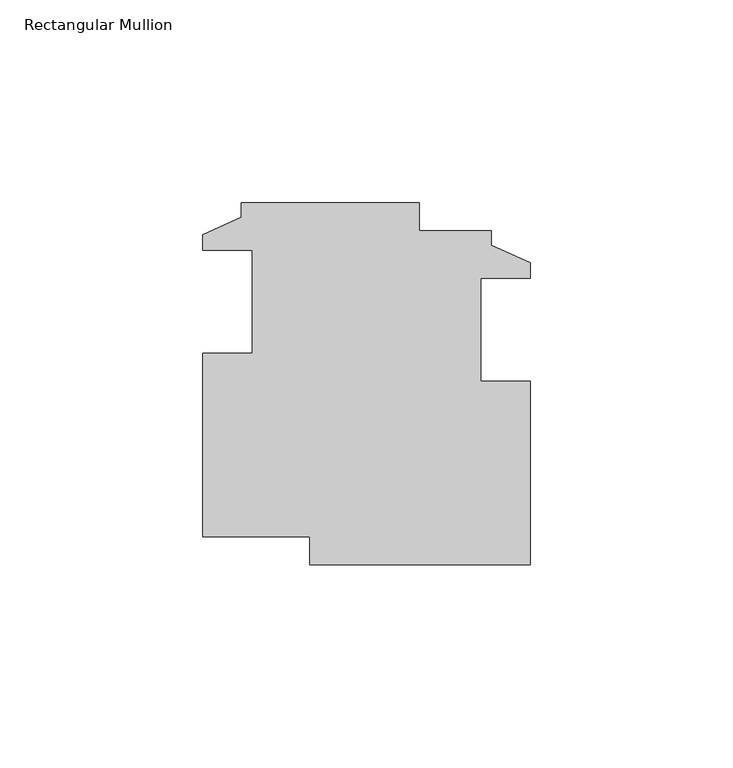
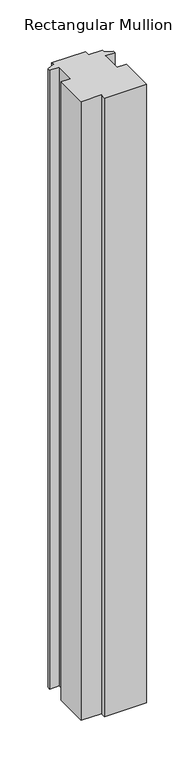
"""IFC4 building model written with IfcOpenShell, lengths in millimetres: member geometry, Rectangular Mullion."""

import ifcopenshell
import ifcopenshell.guid

model = None  # the IFC model being written
_history = None  # IfcOwnerHistory: only IFC2X3 demands one
_inside = {}  # id of a spatial element -> (the spatial element, [elements in it])
_under = {}  # id of a project, library or spatial element -> (it, [spatial elements below it])
_declared = {}  # id of a project -> (the project, [libraries it declares])
_typed = {}  # id of a type object -> (the type object, [elements of that type])
_made_of = {}  # id of a material, layer set ... -> (it, [elements and type objects made of it])


def new_model(schema):
    """Start an empty IFC model of exactly this schema.

    Asked for "IFC4X3", IfcOpenShell would pick the latest addendum, in which some entities
    have other attributes; the version numbers below select the first issue.
    IFC2X3 requires an IfcOwnerHistory on every rooted entity: one is made here for all.
    """
    global model, _history
    if schema == "IFC4X3":
        model = ifcopenshell.file(schema_version=(4, 3, 0, 0))
    else:
        model = ifcopenshell.file(schema=schema)
    _inside.clear()
    _under.clear()
    _declared.clear()
    _typed.clear()
    _made_of.clear()
    _history = None
    if model.schema == "IFC2X3":
        org = make("IfcOrganization", Name="unknown")
        user = make(
            "IfcPersonAndOrganization",
            ThePerson=make("IfcPerson", FamilyName="unknown"),
            TheOrganization=org,
        )
        app = make(
            "IfcApplication",
            ApplicationDeveloper=org,
            Version="unknown",
            ApplicationFullName="unknown",
            ApplicationIdentifier="unknown",
        )
        _history = make(
            "IfcOwnerHistory",
            OwningUser=user,
            OwningApplication=app,
            ChangeAction="ADDED",
            CreationDate=0,
        )
    return model


def make(cls, **values):
    """One entity of the class cls with the attributes given. An attribute that is None is left unset."""
    return model.create_entity(
        cls, **{name: value for name, value in values.items() if value is not None}
    )


def rooted(cls, **values):
    """An entity with a GlobalId (a new one), such as an element, a storey or a relation."""
    return make(cls, GlobalId=ifcopenshell.guid.new(), OwnerHistory=_history, **values)


def si_unit(unit_type, name, prefix=None):
    """IfcSIUnit, for example si_unit("LENGTHUNIT", "METRE", prefix="MILLI")."""
    return make("IfcSIUnit", UnitType=unit_type, Prefix=prefix, Name=name)


def assignment(units):
    """IfcUnitAssignment: the units of a project."""
    return None if units is None else make("IfcUnitAssignment", Units=units)


def point(xyz):
    """IfcCartesianPoint."""
    return None if xyz is None else make("IfcCartesianPoint", Coordinates=xyz)


def direction(xyz):
    """IfcDirection."""
    return None if xyz is None else make("IfcDirection", DirectionRatios=xyz)


def frame(location, z_axis=None, x_axis=None):
    """IfcAxis2Placement3D, a coordinate frame: its origin and axes. An axis left out is left unset."""
    return make(
        "IfcAxis2Placement3D",
        Location=point(location),
        Axis=direction(z_axis),
        RefDirection=direction(x_axis),
    )


def origin():
    """The frame at (0, 0, 0) with its axes left unset."""
    return frame((0.0, 0.0, 0.0))


def place(relative_to, where):
    """IfcLocalPlacement: puts the frame where relative to a parent placement (None: the world)."""
    return make(
        "IfcLocalPlacement", PlacementRelTo=relative_to, RelativePlacement=where
    )


def context(
    kind, dimensions, precision=None, world=None, true_north=None, identifier=None
):
    """IfcGeometricRepresentationContext, for example the 3D "Model" context."""
    return make(
        "IfcGeometricRepresentationContext",
        ContextIdentifier=identifier,
        ContextType=kind,
        CoordinateSpaceDimension=dimensions,
        Precision=precision,
        WorldCoordinateSystem=world,
        TrueNorth=true_north,
    )


def project(units=None, contexts=None):
    """IfcProject with its units and contexts."""
    return rooted(
        "IfcProject",
        Name="project",
        RepresentationContexts=contexts,
        UnitsInContext=assignment(units),
    )


def spatial(cls, under=None, at=None, **own):
    """A site, building, storey or space (cls), placed at a placement, below another one or the project."""
    s = rooted(cls, ObjectPlacement=at, **own)
    if under is not None:
        _under.setdefault(under.id(), (under, []))[1].append(s)
    return s


def polyline(points):
    """IfcPolyline through the points."""
    return make("IfcPolyline", Points=[point(p) for p in points])


def outline(outer, holes=None, kind="AREA"):
    """IfcArbitraryClosedProfileDef: a profile drawn as a closed curve; with holes, ...WithVoids."""
    if holes is None:
        return make("IfcArbitraryClosedProfileDef", ProfileType=kind, OuterCurve=outer)
    return make(
        "IfcArbitraryProfileDefWithVoids",
        ProfileType=kind,
        OuterCurve=outer,
        InnerCurves=holes,
    )


def extrude(swept, where, along, depth):
    """IfcExtrudedAreaSolid: the profile swept, set in the frame where, extruded along a direction by depth."""
    return make(
        "IfcExtrudedAreaSolid",
        SweptArea=swept,
        Position=where,
        ExtrudedDirection=direction(along),
        Depth=depth,
    )


def shape(context_of_items, identifier, shape_type, items):
    """IfcShapeRepresentation: the items that make up one representation, for example the "Body"."""
    return make(
        "IfcShapeRepresentation",
        ContextOfItems=context_of_items,
        RepresentationIdentifier=identifier,
        RepresentationType=shape_type,
        Items=items,
    )


def source(mapping_origin, context_of_items, identifier, shape_type, items):
    """IfcRepresentationMap: a shape defined once, which mapped items show again and again."""
    return make(
        "IfcRepresentationMap",
        MappingOrigin=mapping_origin,
        MappedRepresentation=shape(context_of_items, identifier, shape_type, items),
    )


def transform(
    local_origin,
    x_axis=None,
    y_axis=None,
    z_axis=None,
    scale=None,
    scale2=None,
    scale3=None,
    uniform=True,
):
    """IfcCartesianTransformationOperator3D, or its non-uniform kind. x_axis, y_axis, z_axis: its Axis1, 2, 3."""
    if uniform:
        return make(
            "IfcCartesianTransformationOperator3D",
            Axis1=direction(x_axis),
            Axis2=direction(y_axis),
            LocalOrigin=point(local_origin),
            Scale=scale,
            Axis3=direction(z_axis),
        )
    return make(
        "IfcCartesianTransformationOperator3DnonUniform",
        Axis1=direction(x_axis),
        Axis2=direction(y_axis),
        LocalOrigin=point(local_origin),
        Scale=scale,
        Axis3=direction(z_axis),
        Scale2=scale2,
        Scale3=scale3,
    )


def mapped(mapping_source, mapping_target):
    """IfcMappedItem: shows the shape of a source again, moved by a transform."""
    return make(
        "IfcMappedItem", MappingSource=mapping_source, MappingTarget=mapping_target
    )


def made_of(thing, what):
    """Note that an element or type object is made of a material, layer set ...; save() writes the relation."""
    if what is not None:
        _made_of.setdefault(what.id(), (what, []))[1].append(thing)
    return thing


def element(
    cls,
    number,
    at=None,
    inside=None,
    cuts=None,
    type_object=None,
    material=None,
    context=None,
    identifier="Body",
    shape_type=None,
    held_by="IfcProductDefinitionShape",
    body=None,
    shapes=None,
    **own,
):
    """One element of the class cls, such as IfcWall. Its Tag is "e" and its number.

    at: its placement. inside: the storey or other place that contains it. cuts: it is an
    opening in that element (IfcRelVoidsElement). A single representation is given by context,
    identifier, shape_type and body (its items); several are given by shapes. held_by: the class
    of the entity that holds the representations. save() writes the other relations.
    """
    e = rooted(cls, Tag="e%d" % number, ObjectPlacement=at, **own)
    if body is not None:
        shapes = [shape(context, identifier, shape_type, body)]
    if shapes is not None:
        e.Representation = make(held_by, Representations=shapes)
    if inside is not None:
        _inside.setdefault(inside.id(), (inside, []))[1].append(e)
    if cuts is not None:
        rooted(
            "IfcRelVoidsElement", RelatingBuildingElement=cuts, RelatedOpeningElement=e
        )
    if type_object is not None:
        _typed.setdefault(type_object.id(), (type_object, []))[1].append(e)
    return made_of(e, material)


def aggregate(whole, parts):
    """IfcRelAggregates: a whole, such as a stair, and the parts it consists of."""
    return rooted("IfcRelAggregates", RelatingObject=whole, RelatedObjects=parts)


def save(model, path):
    """Write the relations noted so far, then the file.

    IfcRelAggregates (storeys below a building ...), IfcRelContainedInSpatialStructure (elements
    in a storey), IfcRelDefinesByType, IfcRelAssociatesMaterial and IfcRelDeclares: one each for
    every whole, place, type object, material and project.
    """
    for whole, parts in _under.values():
        aggregate(whole, parts)
    for where, things in _inside.values():
        rooted(
            "IfcRelContainedInSpatialStructure",
            RelatedElements=things,
            RelatingStructure=where,
        )
    for kind, things in _typed.values():
        rooted("IfcRelDefinesByType", RelatedObjects=things, RelatingType=kind)
    for what, things in _made_of.values():
        rooted("IfcRelAssociatesMaterial", RelatedObjects=things, RelatingMaterial=what)
    for by, libraries in _declared.values():
        rooted("IfcRelDeclares", RelatingContext=by, RelatedDefinitions=libraries)
    model.write(path)


def rectangular_mullion_f6e5d3f3(model_context):
    return source(origin(), model_context, "Body", "SweptSolid", [
        extrude(outline(polyline([(25.7822463, 32.4889813), (35.3072463, 28.1709813), (35.3072463, 24.2593813), (23.0898463, 24.2593813), (23.0898463, -1.1406187), (35.3072463, -1.1406187), (35.3072463, -46.4542187), (-19.0487537, -46.4542187), (-19.0487537, -39.5454187), (-45.5435001, -39.5454187), (-45.5435001, 5.7681813), (-33.3261001, 5.7681813), (-33.3261001, 31.1681813), (-45.5435001, 31.1681813), (-45.5435001, 35.0797812), (-36.0185001, 39.3977812), (-36.0185001, 43.0045813), (7.9488999, 43.0045813), (7.9488999, 36.0957813), (25.7822463, 36.0957813), (25.7822463, 32.4889813)])), frame((0.0, 0.0, -847.6488), z_axis=(0.0, 0.0, 1.0), x_axis=(1.0, 0.0, 0.0)), (0.0, 0.0, 1.0), 847.6488),
    ])


if __name__ == "__main__":
    model = new_model("IFC4")
    model_context = context("Model", 3, world=origin())
    ifc_project = project(units=[si_unit("LENGTHUNIT", "METRE", prefix="MILLI")], contexts=[model_context])
    site = spatial("IfcSite", under=ifc_project)
    building = spatial("IfcBuilding", under=site)
    placement = place(None, origin())
    rectangular_mullion_shape = rectangular_mullion_f6e5d3f3(model_context)
    element("IfcMember", 1, ObjectType="Rectangular Mullion", at=placement, inside=building, context=model_context, shape_type="MappedRepresentation", body=[
        mapped(rectangular_mullion_shape, transform((0.0, 0.0, 0.0), x_axis=(1.0, 0.0, 0.0), y_axis=(0.0, 1.0, 0.0), z_axis=(0.0, 0.0, 1.0))),
    ])
    save(model, "model.ifc")
